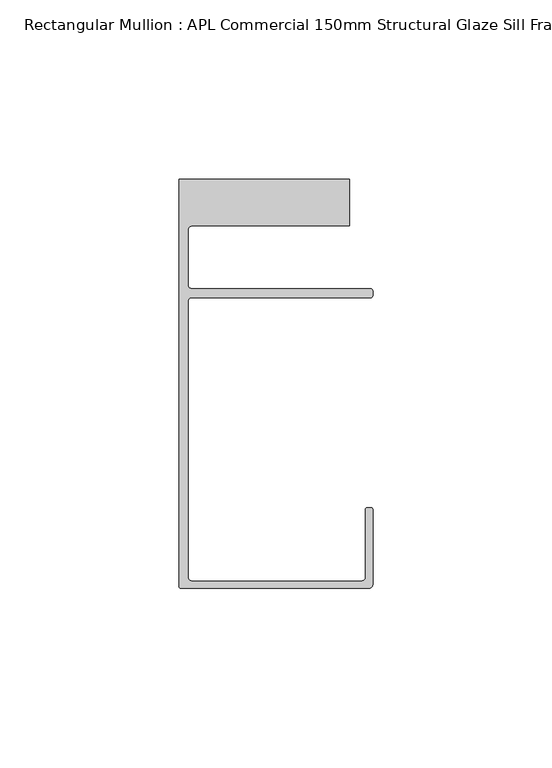
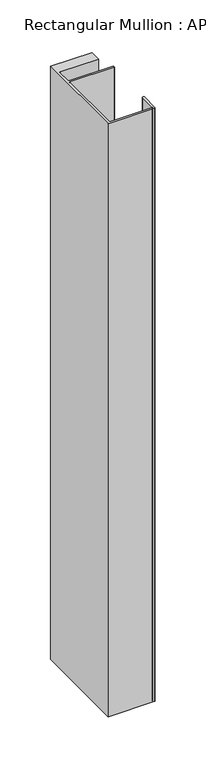
"""IFC4 building model written with IfcOpenShell, lengths in millimetres: member geometry, Rectangular Mullion : APL Commercial 150mm Structural Glaze Sill Frame (Back)."""

from ifc_helpers import new_model, si_unit, frame, origin, place, context, project, spatial, polyline, circle_curve, source, transform, mapped, element, save
from ifc_brep_helpers import plane_surface, cylinder_surface, revolved_surface, advanced_brep


def rectangular_mullion_apl_commercial_150mm_structural_glaze_f18a443c(model_context):
    return source(origin(), model_context, "Body", "AdvancedBrep", [
        advanced_brep(
        [(-53.5000083, -129.0001071, 0.0), (-1.0000079, -129.0001071, 0.0), (-7.9e-06, -128.0001071, 0.0), (0.0, -107.0001071, 0.0), (-0.5, -106.5001071, 0.0), (-1.4999822, -106.5001071, 0.0), (-1.9999822, -107.0001071, 0.0), (-1.9999982, -126.0001071, 0.0), (-2.9999982, -127.0001071, 0.0), (-50.5000083, -127.00011, 0.0), (-51.5000083, -126.00011, 0.0), (-51.5000225, -48.9999541, 0.0), (-50.482081, -48.000115, 0.0), (-0.5000012, -48.000115, 0.0), (-5.4e-06, -47.5021598, 0.0), (-5.4e-06, -46.0213357, 0.0), (-0.521387, -45.4999541, 0.0), (-50.500032, -45.4999541, 0.0), (-51.500032, -44.4999541, 0.0), (-51.500032, -29.0004332, 0.0), (-50.500032, -28.0004332, 0.0), (-6.5000083, -28.0004332, 0.0), (-6.5000083, -15.0004332, 0.0), (-54.0000083, -15.0004332, 0.0), (-54.0000083, -128.5001071, 0.0), (-53.5000083, -129.0001071, -715.3626887), (-54.0000083, -128.5001071, -715.3626887), (-54.0000083, -15.0004332, -715.3626887), (-6.5000083, -15.0004332, -715.3626887), (-6.5000083, -28.0004332, -715.3626887), (-50.500032, -28.0004332, -715.3626887), (-51.500032, -29.0004332, -715.3626887), (-51.500032, -44.4999541, -715.3626887), (-50.500032, -45.4999541, -715.3626887), (-0.521387, -45.4999541, -715.3626887), (-5.4e-06, -46.0213357, -715.3626887), (-5.4e-06, -47.5021598, -715.3626887), (-0.5000012, -48.000115, -715.3626887), (-50.482081, -48.000115, -715.3626887), (-51.5000225, -48.9999541, -715.3626887), (-51.5000225, -126.00011, -715.3626887), (-50.5000083, -127.00011, -715.3626887), (-2.9999982, -127.00011, -715.3626887), (-1.9999982, -126.0001071, -715.3626887), (-1.9999982, -107.0001071, -715.3626887), (-1.4999822, -106.5001071, -715.3626887), (-0.5, -106.5001071, -715.3626887), (0.0, -107.0001071, -715.3626887), (0.0, -128.0001071, -715.3626887), (-1.0000079, -129.0001071, -715.3626887)],
        [
            (0, 1),
            (1, 2, circle_curve(frame((-1.0000079, -128.0001071, 0.0), z_axis=(0.0, 0.0, 1.0), x_axis=(0.9999999999996143, -8.78371761103865e-07, 0.0)), 1.0)),
            (2, 3),
            (3, 4, circle_curve(frame((-0.5, -107.0001071, 0.0), z_axis=(0.0, 0.0, 1.0), x_axis=(0.0, 1.0, 0.0)), 0.5)),
            (4, 5),
            (5, 6, circle_curve(frame((-1.4999822, -107.0001071, 0.0), z_axis=(0.0, 0.0, 1.0), x_axis=(-1.0, 1.039279773351609e-08, 0.0)), 0.5)),
            (6, 7),
            (7, 8, circle_curve(frame((-2.9999982, -126.0001071, 0.0), z_axis=(0.0, 0.0, -1.0), x_axis=(0.0, -1.0, 0.0)), 1.0)),
            (8, 9),
            (9, 10, circle_curve(frame((-50.5000083, -126.00011, 0.0), z_axis=(0.0, 0.0, -1.0), x_axis=(-1.0, -3.636202450239078e-12, 0.0)), 1.0)),
            (10, 11),
            (11, 12, circle_curve(frame((-50.5000225, -48.9999541, 0.0), z_axis=(0.0, 0.0, -1.0), x_axis=(3.5344775231070867e-06, 0.9999999999937538, 0.0)), 1.0)),
            (12, 13),
            (13, 14, circle_curve(frame((-0.5000012, -47.500115, 0.0), z_axis=(0.0, 0.0, 1.0), x_axis=(0.9999999999999991, 4.5120271963110614e-08, 0.0)), 0.5)),
            (14, 15),
            (15, 16, circle_curve(frame((-0.521387, -46.0213357, 0.0), z_axis=(0.0, 0.0, 1.0), x_axis=(-1.0, 0.0, 0.0)), 0.5213816)),
            (16, 17),
            (17, 18, circle_curve(frame((-50.500032, -44.4999541, 0.0), z_axis=(0.0, 0.0, -1.0), x_axis=(-0.9999999999998819, -4.863123717036027e-07, 0.0)), 1.0)),
            (18, 19),
            (19, 20, circle_curve(frame((-50.500032, -29.0004332, 0.0), z_axis=(0.0, 0.0, -1.0), x_axis=(0.0, 1.0, 0.0)), 1.0)),
            (20, 21),
            (21, 22),
            (22, 23),
            (23, 24),
            (24, 0, circle_curve(frame((-53.5000083, -128.5001071, 0.0), z_axis=(0.0, 0.0, 1.0), x_axis=(0.0, -1.0, 0.0)), 0.5)),
            (25, 26, circle_curve(frame((-53.5000083, -128.5001071, -715.3626887), z_axis=(0.0, 0.0, -1.0), x_axis=(0.0, -1.0, 0.0)), 0.5)),
            (26, 27),
            (27, 28),
            (28, 29),
            (29, 30),
            (30, 31, circle_curve(frame((-50.500032, -29.0004332, -715.3626887), z_axis=(0.0, 0.0, 1.0), x_axis=(0.0, 1.0, 0.0)), 1.0)),
            (31, 32),
            (32, 33, circle_curve(frame((-50.500032, -44.4999541, -715.3626887), z_axis=(0.0, 0.0, 1.0), x_axis=(-0.9999999999998819, -4.863123717036027e-07, 0.0)), 1.0)),
            (33, 34),
            (34, 35, circle_curve(frame((-0.521387, -46.0213357, -715.3626887), z_axis=(0.0, 0.0, -1.0), x_axis=(-1.0, 0.0, 0.0)), 0.5213816)),
            (35, 36),
            (36, 37, circle_curve(frame((-0.5000012, -47.500115, -715.3626887), z_axis=(0.0, 0.0, -1.0), x_axis=(0.9999999999999991, 4.5120271963110614e-08, 0.0)), 0.5)),
            (37, 38),
            (38, 39, circle_curve(frame((-50.5000225, -48.9999541, -715.3626887), z_axis=(0.0, 0.0, 1.0), x_axis=(3.5344775231070867e-06, 0.9999999999937538, 0.0)), 1.0)),
            (39, 40),
            (40, 41, circle_curve(frame((-50.5000083, -126.00011, -715.3626887), z_axis=(0.0, 0.0, 1.0), x_axis=(-1.0, -3.636202450239078e-12, 0.0)), 1.0)),
            (41, 42),
            (42, 43, circle_curve(frame((-2.9999982, -126.0001071, -715.3626887), z_axis=(0.0, 0.0, 1.0), x_axis=(0.0, -1.0, 0.0)), 1.0)),
            (43, 44),
            (44, 45, circle_curve(frame((-1.4999822, -107.0001071, -715.3626887), z_axis=(0.0, 0.0, -1.0), x_axis=(-1.0, 1.039279773351609e-08, 0.0)), 0.5)),
            (45, 46),
            (46, 47, circle_curve(frame((-0.5, -107.0001071, -715.3626887), z_axis=(0.0, 0.0, -1.0), x_axis=(0.0, 1.0, 0.0)), 0.5)),
            (47, 48),
            (48, 49, circle_curve(frame((-1.0000079, -128.0001071, -715.3626887), z_axis=(0.0, 0.0, -1.0), x_axis=(0.9999999999996143, -8.78371761103865e-07, 0.0)), 1.0)),
            (49, 25),
            (0, 25),
            (49, 1),
            (48, 2),
            (14, 36),
            (35, 15),
            (34, 16),
            (33, 17),
            (32, 18),
            (31, 19),
            (30, 20),
            (29, 21),
            (28, 22),
            (27, 23),
            (26, 24),
            (47, 3),
            (46, 4),
            (45, 5),
            (44, 6),
            (43, 7),
            (42, 8),
            (41, 9),
            (40, 10),
            (39, 11),
            (38, 12),
            (37, 13),
        ],
        [
            plane_surface(frame((0.0, -139.6548314, 0.0), z_axis=(0.0, 0.0, 1.0), x_axis=(-1.0, 0.0, 0.0))),
            plane_surface(frame((0.0, -139.6548314, -715.3626887), z_axis=(0.0, 0.0, -1.0), x_axis=(-1.0, 0.0, 0.0))),
            plane_surface(frame((-53.5000083, -129.0001071, 0.0), z_axis=(0.0, -1.0, 0.0), x_axis=(0.0, 0.0, -1.0))),
            cylinder_surface(frame((-1.0000079, -128.0001071, 0.0), z_axis=(0.0, 0.0, 1.0000000000000002), x_axis=(0.9999999999996143, -8.78371761103865e-07, 0.0)), 1.0),
            plane_surface(frame((-5.4e-06, -47.5021598, 0.0), z_axis=(1.0, 0.0, 0.0), x_axis=(0.0, 0.0, -1.0))),
            cylinder_surface(frame((-0.521387, -46.0213357, 0.0), z_axis=(0.0, 0.0, 1.0), x_axis=(-1.0, 0.0, 0.0)), 0.5213816),
            plane_surface(frame((-0.521387, -45.4999541, 0.0), z_axis=(0.0, 1.0, 0.0), x_axis=(0.0, 0.0, -1.0))),
            revolved_surface(polyline([(-51.50003199999988, -44.49995458631237, -715.3626887000003), (-51.50003199999988, -44.49995458631237, 0.0)]), (-50.500032, -44.4999541, 0.0), (0.0, 0.0, -1.0000000000000002)),
            plane_surface(frame((-51.500032, -44.4999541, 0.0), z_axis=(1.0, 0.0, 0.0), x_axis=(0.0, 0.0, -1.0))),
            revolved_surface(polyline([(-50.500032, -28.0004332, -715.3626887), (-50.500032, -28.0004332, 0.0)]), (-50.500032, -29.0004332, 0.0), (0.0, 0.0, -1.0)),
            plane_surface(frame((-50.500032, -28.0004332, 0.0), z_axis=(0.0, -1.0, 0.0), x_axis=(0.0, 0.0, -1.0))),
            plane_surface(frame((-6.5000083, -28.0004332, 0.0), z_axis=(1.0, 0.0, 0.0), x_axis=(0.0, 0.0, -1.0))),
            plane_surface(frame((-6.5000083, -15.0004332, 0.0), z_axis=(0.0, 1.0, 0.0), x_axis=(0.0, 0.0, -1.0))),
            plane_surface(frame((-54.0000083, -15.0004332, 0.0), z_axis=(-1.0, 0.0, 0.0), x_axis=(0.0, 0.0, -1.0))),
            cylinder_surface(frame((-53.5000083, -128.5001071, 0.0), z_axis=(0.0, 0.0, 1.0), x_axis=(0.0, -1.0, 0.0)), 0.5),
            plane_surface(frame((0.0, -128.0001071, 0.0), z_axis=(1.0, 0.0, 0.0), x_axis=(0.0, 0.0, -1.0))),
            cylinder_surface(frame((-0.5, -107.0001071, 0.0), z_axis=(0.0, 0.0, 1.0), x_axis=(0.0, 1.0, 0.0)), 0.5),
            plane_surface(frame((-0.5, -106.5001071, 0.0), z_axis=(0.0, 1.0, 0.0), x_axis=(0.0, 0.0, -1.0))),
            cylinder_surface(frame((-1.4999822, -107.0001071, 0.0), z_axis=(0.0, 0.0, 1.0), x_axis=(-1.0, 1.039279773351609e-08, 0.0)), 0.5),
            plane_surface(frame((-1.9999982, -107.0001071, 0.0), z_axis=(-1.0, 0.0, 0.0), x_axis=(0.0, 0.0, -1.0))),
            revolved_surface(polyline([(-2.9999982, -127.0001071, -715.3626887), (-2.9999982, -127.0001071, 0.0)]), (-2.9999982, -126.0001071, 0.0), (0.0, 0.0, -1.0)),
            plane_surface(frame((-2.9999982, -127.00011, 0.0), z_axis=(0.0, 1.0, 0.0), x_axis=(0.0, 0.0, -1.0))),
            revolved_surface(polyline([(-51.5000083, -126.00011000000364, -715.3626887), (-51.5000083, -126.00011000000364, 0.0)]), (-50.5000083, -126.00011, 0.0), (0.0, 0.0, -1.0)),
            plane_surface(frame((-51.5000225, -126.00011, 0.0), z_axis=(1.0, 0.0, 0.0), x_axis=(0.0, 0.0, -1.0))),
            revolved_surface(polyline([(-50.50001896552248, -47.99995410000624, -715.3626887), (-50.50001896552248, -47.99995410000624, 0.0)]), (-50.5000225, -48.9999541, 0.0), (0.0, 0.0, -1.0)),
            plane_surface(frame((-50.482081, -48.000115, 0.0), z_axis=(0.0, -1.0, 0.0), x_axis=(0.0, 0.0, -1.0))),
            cylinder_surface(frame((-0.5000012, -47.500115, 0.0), z_axis=(0.0, 0.0, 1.0000000000000002), x_axis=(0.9999999999999991, 4.5120271963110614e-08, 0.0)), 0.5),
        ],
        [
            (0, [[1, 2, 3, 4, 5, 6, 7, 8, 9, 10, 11, 12, 13, 14, 15, 16, 17, 18, 19, 20, 21, 22, 23, 24, 25]]),
            (1, [[26, 27, 28, 29, 30, 31, 32, 33, 34, 35, 36, 37, 38, 39, 40, 41, 42, 43, 44, 45, 46, 47, 48, 49, 50]]),
            (2, [[-1, 51, -50, 52]]),
            (3, [[-2, -52, -49, 53]]),
            (4, [[-15, 54, -36, 55]]),
            (5, [[-16, -55, -35, 56]]),
            (6, [[-17, -56, -34, 57]]),
            (7, [[-18, -57, -33, 58]]),
            (8, [[-19, -58, -32, 59]]),
            (9, [[-20, -59, -31, 60]]),
            (10, [[-21, -60, -30, 61]]),
            (11, [[-22, -61, -29, 62]]),
            (12, [[-23, -62, -28, 63]]),
            (13, [[-24, -63, -27, 64]]),
            (14, [[-25, -64, -26, -51]]),
            (15, [[-3, -53, -48, 65]]),
            (16, [[-4, -65, -47, 66]]),
            (17, [[-5, -66, -46, 67]]),
            (18, [[-6, -67, -45, 68]]),
            (19, [[-7, -68, -44, 69]]),
            (20, [[-8, -69, -43, 70]]),
            (21, [[-9, -70, -42, 71]]),
            (22, [[-10, -71, -41, 72]]),
            (23, [[-11, -72, -40, 73]]),
            (24, [[-12, -73, -39, 74]]),
            (25, [[-13, -74, -38, 75]]),
            (26, [[-14, -75, -37, -54]]),
        ],
    ),
    ])


if __name__ == "__main__":
    model = new_model("IFC4")
    model_context = context("Model", 3, world=origin())
    ifc_project = project(units=[si_unit("LENGTHUNIT", "METRE", prefix="MILLI")], contexts=[model_context])
    site = spatial("IfcSite", under=ifc_project)
    building = spatial("IfcBuilding", under=site)
    placement = place(None, origin())
    rectangular_mullion_apl_commercial_150mm_structural_glaze_shape = rectangular_mullion_apl_commercial_150mm_structural_glaze_f18a443c(model_context)
    element("IfcMember", 1, ObjectType="Rectangular Mullion : APL Commercial 150mm Structural Glaze Sill Frame (Back)", at=placement, inside=building, context=model_context, shape_type="MappedRepresentation", body=[
        mapped(rectangular_mullion_apl_commercial_150mm_structural_glaze_shape, transform((0.0, 0.0, 0.0), x_axis=(1.0, 0.0, 0.0), y_axis=(0.0, 1.0, 0.0), z_axis=(0.0, 0.0, 1.0))),
    ])
    save(model, "model.ifc")
